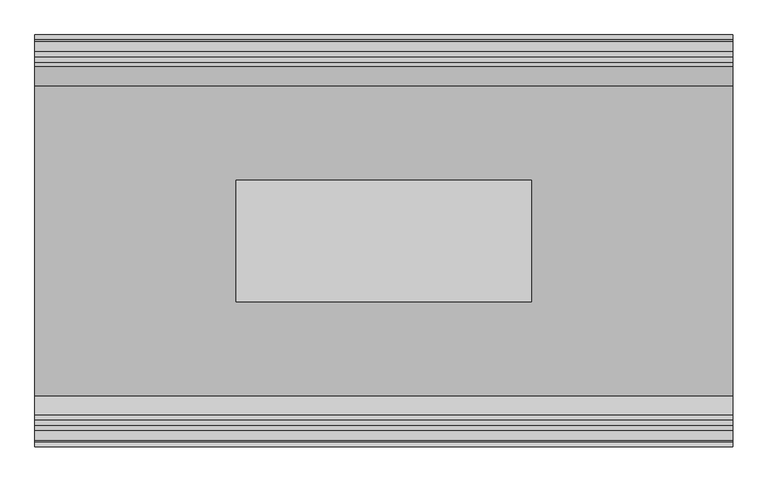
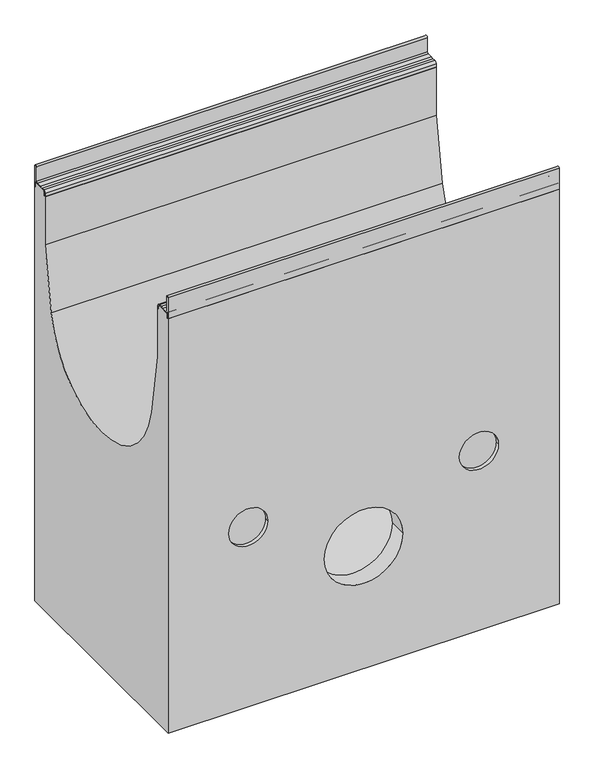
"""IFC4 building model written with IfcOpenShell, lengths in millimetres: proxy geometry."""

from ifc_helpers import new_model, si_unit, point, frame, frame_2d, origin, place, context, project, spatial, polyline, circle_curve, trimmed, segment, composite_curve, outline, extrude, source, transform, mapped, element, save
from ifc_brep_helpers import plane_surface, cylinder_surface, revolved_surface, advanced_brep


def generic_models_235eebda(model_context):
    return source(origin(), model_context, "Body", "SolidModel", [
        advanced_brep(
        [(500.0, 295.0, -1180.0), (500.0, 295.0, -60.0409124), (500.0, 291.9621547, -60.0409124), (500.0, 291.9621547, -45.4121775), (500.0, 290.5838153, -45.4121775), (500.0, 285.5826794, -48.0378453), (500.0, 256.0756907, -48.0378453), (500.0, 252.9900031, -51.1235329), (500.0, 252.9900031, -60.011934), (500.0, 250.0, -60.011934), (500.0, 250.0, -190.0), (500.0, 221.8889757, -357.2864917), (500.0, -221.8889757, -357.2864917), (500.0, -250.0, -190.0), (500.0, -250.0, -60.011934), (500.0, -252.9900031, -60.011934), (500.0, -252.9900031, -51.1235329), (500.0, -256.0756907, -48.0378453), (500.0, -285.5826794, -48.0378453), (500.0, -290.5838153, -45.4121775), (500.0, -291.9621547, -45.4121775), (500.0, -291.9621547, -60.0409124), (500.0, -295.0, -60.0409124), (500.0, -295.0, -1180.0), (-500.0, 295.0, -1180.0), (-500.0, -295.0, -1180.0), (-500.0, -295.0, -60.0409124), (-500.0, -291.9621547, -60.0409124), (-500.0, -291.9621547, -45.4121775), (-500.0, -290.5838153, -45.4121775), (-500.0, -285.5826794, -48.0378453), (-500.0, -256.0756907, -48.0378453), (-500.0, -252.9900031, -51.1235329), (-500.0, -252.9900031, -60.011934), (-500.0, -250.0, -60.011934), (-500.0, -250.0, -190.0), (-500.0, -221.8889757, -357.2864917), (-500.0, 221.8889757, -357.2864917), (-500.0, 250.0, -190.0), (-500.0, 250.0, -60.011934), (-500.0, 252.9900031, -60.011934), (-500.0, 252.9900031, -51.1235329), (-500.0, 256.0756907, -48.0378453), (-500.0, 285.5826794, -48.0378453), (-500.0, 290.5838153, -45.4121775), (-500.0, 291.9621547, -45.4121775), (-500.0, 291.9621547, -60.0409124), (-500.0, 295.0, -60.0409124), (245.0, 295.0, -695.0), (345.0, 295.0, -695.0), (-245.0, 295.0, -695.0), (-345.0, 295.0, -695.0), (-100.0, -295.0, -850.0), (100.0, -295.0, -850.0), (100.0, -250.0, -850.0), (-100.0, -250.0, -850.0), (212.5, 87.5, -590.5698316), (212.5, 87.5, -527.2890494), (-212.5, 87.5, -527.2890494), (-212.5, 87.5, -590.5698316), (-212.5, -87.5, -527.2890494), (-212.5, -87.5, -590.5698316), (212.5, -87.5, -527.2890494), (212.5, -87.5, -590.5698316), (345.0, -295.0, -695.0), (245.0, -295.0, -695.0), (-345.0, -295.0, -695.0), (-245.0, -295.0, -695.0), (478.0, 252.9900031, -1055.0), (-478.0, 252.9900031, -1055.0), (-478.0, -250.0, -1055.0), (478.0, -250.0, -1055.0), (478.0, 252.9900031, -590.5698316), (478.0, -250.0, -590.5698316), (-478.0, -250.0, -590.5698316), (-478.0, 252.9900031, -590.5698316), (245.0, -285.0, -695.0), (345.0, -285.0, -695.0), (-245.0, -285.0, -695.0), (-345.0, -285.0, -695.0), (245.0, 285.0, -695.0), (345.0, 285.0, -695.0), (-245.0, 285.0, -695.0), (-345.0, 285.0, -695.0)],
        [
            (0, 1),
            (1, 2),
            (2, 3),
            (3, 4),
            (4, 5, circle_curve(frame((500.0, 285.5826794, -41.9621547), z_axis=(-1.0, 0.0, 0.0), x_axis=(0.0, 1.0, 0.0)), 6.0756907)),
            (5, 6),
            (6, 7, circle_curve(frame((500.0, 256.0756907, -51.1235329), z_axis=(1.0, 0.0, 0.0), x_axis=(0.0, 1.0, 0.0)), 3.0856876)),
            (7, 8),
            (8, 9),
            (9, 10),
            (10, 11),
            (11, 12, circle_curve(frame((500.0, 0.0, -320.0), z_axis=(-1.0, 0.0, 0.0), x_axis=(0.0, -1.0, 0.0)), 225.0)),
            (12, 13),
            (13, 14),
            (14, 15),
            (15, 16),
            (16, 17, circle_curve(frame((500.0, -256.0756907, -51.1235329), z_axis=(1.0, 0.0, 0.0), x_axis=(0.0, 1.0, 0.0)), 3.0856876)),
            (17, 18),
            (18, 19, circle_curve(frame((500.0, -285.5826794, -41.9621547), z_axis=(-1.0, 0.0, 0.0), x_axis=(0.0, 1.0, 0.0)), 6.0756907)),
            (19, 20),
            (20, 21),
            (21, 22),
            (22, 23),
            (23, 0),
            (24, 25),
            (25, 26),
            (26, 27),
            (27, 28),
            (28, 29),
            (29, 30, circle_curve(frame((-500.0, -285.5826794, -41.9621547), z_axis=(1.0, 0.0, 0.0), x_axis=(0.0, 1.0, 0.0)), 6.0756907)),
            (30, 31),
            (31, 32, circle_curve(frame((-500.0, -256.0756907, -51.1235329), z_axis=(-1.0, 0.0, 0.0), x_axis=(0.0, 1.0, 0.0)), 3.0856876)),
            (32, 33),
            (33, 34),
            (34, 35),
            (35, 36),
            (36, 37, circle_curve(frame((-500.0, 0.0, -320.0), z_axis=(1.0, 0.0, 0.0), x_axis=(0.0, -1.0, 0.0)), 225.0)),
            (37, 38),
            (38, 39),
            (39, 40),
            (40, 41),
            (41, 42, circle_curve(frame((-500.0, 256.0756907, -51.1235329), z_axis=(-1.0, 0.0, 0.0), x_axis=(0.0, 1.0, 0.0)), 3.0856876)),
            (42, 43),
            (43, 44, circle_curve(frame((-500.0, 285.5826794, -41.9621547), z_axis=(1.0, 0.0, 0.0), x_axis=(0.0, 1.0, 0.0)), 6.0756907)),
            (44, 45),
            (45, 46),
            (46, 47),
            (47, 24),
            (0, 24),
            (47, 1),
            (48, 49, circle_curve(frame((295.0, 295.0, -695.0), z_axis=(0.0, -1.0, 0.0), x_axis=(1.0, 0.0, 0.0)), 50.0)),
            (49, 48, circle_curve(frame((295.0, 295.0, -695.0), z_axis=(0.0, -1.0, 0.0), x_axis=(1.0, 0.0, 0.0)), 50.0)),
            (50, 51, circle_curve(frame((-295.0, 295.0, -695.0), z_axis=(0.0, -1.0, 0.0), x_axis=(-1.0, 0.0, 0.0)), 50.0)),
            (51, 50, circle_curve(frame((-295.0, 295.0, -695.0), z_axis=(0.0, -1.0, 0.0), x_axis=(-1.0, 0.0, 0.0)), 50.0)),
            (13, 35),
            (34, 14),
            (52, 53, circle_curve(frame((0.0, -295.0, -850.0), z_axis=(0.0, -1.0, 0.0), x_axis=(1.0, 0.0, 0.0)), 100.0)),
            (53, 54),
            (54, 55, circle_curve(frame((0.0, -250.0, -850.0), z_axis=(0.0, 1.0, 0.0), x_axis=(1.0, 0.0, 0.0)), 100.0)),
            (55, 52),
            (53, 52, circle_curve(frame((0.0, -295.0, -850.0), z_axis=(0.0, -1.0, 0.0), x_axis=(1.0, 0.0, 0.0)), 100.0)),
            (55, 54, circle_curve(frame((0.0, -250.0, -850.0), z_axis=(0.0, 1.0, 0.0), x_axis=(1.0, 0.0, 0.0)), 100.0)),
            (46, 2),
            (45, 3),
            (44, 4),
            (43, 5),
            (42, 6),
            (41, 7),
            (40, 8),
            (39, 9),
            (33, 15),
            (32, 16),
            (31, 17),
            (30, 18),
            (29, 19),
            (28, 20),
            (27, 21),
            (56, 57),
            (57, 58),
            (58, 59),
            (59, 56),
            (58, 60, circle_curve(frame((-212.5, 0.0, -320.0), z_axis=(-1.0, 0.0, 0.0), x_axis=(0.0, -1.0, 0.0)), 225.0)),
            (60, 61),
            (61, 59),
            (60, 62),
            (62, 63),
            (63, 61),
            (56, 63),
            (62, 57, circle_curve(frame((212.5, 0.0, -320.0), z_axis=(1.0, 0.0, 0.0), x_axis=(0.0, -1.0, 0.0)), 225.0)),
            (26, 22),
            (25, 23),
            (64, 65, circle_curve(frame((295.0, -295.0, -695.0), z_axis=(0.0, 1.0, 0.0), x_axis=(1.0, 0.0, 0.0)), 50.0)),
            (65, 64, circle_curve(frame((295.0, -295.0, -695.0), z_axis=(0.0, 1.0, 0.0), x_axis=(1.0, 0.0, 0.0)), 50.0)),
            (66, 67, circle_curve(frame((-295.0, -295.0, -695.0), z_axis=(0.0, 1.0, 0.0), x_axis=(-1.0, 0.0, 0.0)), 50.0)),
            (67, 66, circle_curve(frame((-295.0, -295.0, -695.0), z_axis=(0.0, 1.0, 0.0), x_axis=(-1.0, 0.0, 0.0)), 50.0)),
            (68, 69),
            (69, 70),
            (70, 71),
            (71, 68),
            (72, 73),
            (73, 74),
            (74, 75),
            (75, 72),
            (68, 72),
            (75, 69),
            (74, 70),
            (73, 71),
            (76, 77, circle_curve(frame((295.0, -285.0, -695.0), z_axis=(0.0, -1.0, 0.0), x_axis=(1.0, 0.0, 0.0)), 50.0)),
            (77, 76, circle_curve(frame((295.0, -285.0, -695.0), z_axis=(0.0, -1.0, 0.0), x_axis=(1.0, 0.0, 0.0)), 50.0)),
            (78, 79, circle_curve(frame((-295.0, -285.0, -695.0), z_axis=(0.0, -1.0, 0.0), x_axis=(-1.0, 0.0, 0.0)), 50.0)),
            (79, 78, circle_curve(frame((-295.0, -285.0, -695.0), z_axis=(0.0, -1.0, 0.0), x_axis=(-1.0, 0.0, 0.0)), 50.0)),
            (76, 65),
            (64, 77),
            (78, 67),
            (66, 79),
            (80, 81, circle_curve(frame((295.0, 285.0, -695.0), z_axis=(0.0, 1.0, 0.0), x_axis=(1.0, 0.0, 0.0)), 50.0)),
            (81, 80, circle_curve(frame((295.0, 285.0, -695.0), z_axis=(0.0, 1.0, 0.0), x_axis=(1.0, 0.0, 0.0)), 50.0)),
            (82, 83, circle_curve(frame((-295.0, 285.0, -695.0), z_axis=(0.0, 1.0, 0.0), x_axis=(-1.0, 0.0, 0.0)), 50.0)),
            (83, 82, circle_curve(frame((-295.0, 285.0, -695.0), z_axis=(0.0, 1.0, 0.0), x_axis=(-1.0, 0.0, 0.0)), 50.0)),
            (81, 49),
            (48, 80),
            (83, 51),
            (50, 82),
            (38, 10),
            (37, 11),
            (36, 12),
        ],
        [
            plane_surface(frame((500.0, 295.0, -31.1821489), z_axis=(1.0, 0.0, 0.0), x_axis=(0.0, 0.0, 1.0))),
            plane_surface(frame((-500.0, 295.0, -31.1821489), z_axis=(-1.0, 0.0, 0.0), x_axis=(0.0, 0.0, -1.0))),
            plane_surface(frame((500.0, 295.0, -1180.0), z_axis=(0.0, 1.0, 0.0), x_axis=(-1.0, 0.0, 0.0))),
            plane_surface(frame((500.0, -250.0, -190.0), z_axis=(0.0, 1.0, 0.0), x_axis=(-1.0, 0.0, 0.0))),
            revolved_surface(polyline([(100.0, -295.0, -850.0), (100.0, -250.0, -850.0)]), (0.0, 0.0, -850.0), (0.0, -1.0, 0.0)),
            plane_surface(frame((500.0, 295.0, -60.0409124), z_axis=(0.0, 0.0, 1.0), x_axis=(-1.0, 0.0, 0.0))),
            plane_surface(frame((500.0, 291.9621547, -60.0409124), z_axis=(0.0, 1.0, 0.0), x_axis=(-1.0, 0.0, 0.0))),
            plane_surface(frame((500.0, 291.9621547, -45.4121775), z_axis=(0.0, 0.0, 1.0), x_axis=(-1.0, 0.0, 0.0))),
            revolved_surface(polyline([(-500.0, 291.6583701, -41.9621547), (500.0, 291.6583701, -41.9621547)]), (-500.0, 285.5826794, -41.9621547), (-1.0, 0.0, 0.0)),
            plane_surface(frame((500.0, 285.5826794, -48.0378453), z_axis=(0.0, 0.0, 1.0), x_axis=(-1.0, 0.0, 0.0))),
            cylinder_surface(frame((-500.0, 256.0756907, -51.1235329), z_axis=(1.0, 0.0, 0.0), x_axis=(0.0, 1.0, 0.0)), 3.0856876),
            plane_surface(frame((500.0, 252.9900031, -51.1235329), z_axis=(0.0, -1.0, 0.0), x_axis=(-1.0, 0.0, 0.0))),
            plane_surface(frame((500.0, 252.9900031, -60.011934), z_axis=(0.0, 0.0, 1.0), x_axis=(-1.0, 0.0, 0.0))),
            plane_surface(frame((500.0, -250.0, -60.011934), z_axis=(0.0, 0.0, 1.0), x_axis=(-1.0, 0.0, 0.0))),
            plane_surface(frame((500.0, -252.9900031, -60.011934), z_axis=(0.0, 1.0, 0.0), x_axis=(-1.0, 0.0, 0.0))),
            cylinder_surface(frame((-500.0, -256.0756907, -51.1235329), z_axis=(1.0, 0.0, 0.0), x_axis=(0.0, 1.0, 0.0)), 3.0856876),
            plane_surface(frame((500.0, -256.0756907, -48.0378453), z_axis=(0.0, 0.0, 1.0), x_axis=(-1.0, 0.0, 0.0))),
            revolved_surface(polyline([(-500.0, -279.5069887, -41.9621547), (500.0, -279.5069887, -41.9621547)]), (-500.0, -285.5826794, -41.9621547), (-1.0, 0.0, 0.0)),
            plane_surface(frame((500.0, -290.5838153, -45.4121775), z_axis=(0.0, 0.0, 1.0), x_axis=(-1.0, 0.0, 0.0))),
            plane_surface(frame((500.0, -291.9621547, -45.4121775), z_axis=(0.0, -1.0, 0.0), x_axis=(-1.0, 0.0, 0.0))),
            plane_surface(frame((212.5, 87.5, -304.8), z_axis=(0.0, -1.0, 0.0), x_axis=(0.0, 0.0, -1.0))),
            plane_surface(frame((-212.5, 87.5, -304.8), z_axis=(1.0, 0.0, 0.0), x_axis=(0.0, 0.0, -1.0))),
            plane_surface(frame((-212.5, -87.5, -304.8), z_axis=(0.0, 1.0, 0.0), x_axis=(0.0, 0.0, -1.0))),
            plane_surface(frame((212.5, -87.5, -304.8), z_axis=(-1.0, 0.0, 0.0), x_axis=(0.0, 0.0, -1.0))),
            plane_surface(frame((500.0, -291.9621547, -60.0409124), z_axis=(0.0, 0.0, 1.0), x_axis=(-1.0, 0.0, 0.0))),
            plane_surface(frame((500.0, -295.0, -60.0409124), z_axis=(0.0, -1.0, 0.0), x_axis=(-1.0, 0.0, 0.0))),
            plane_surface(frame((-43.5, 252.9900031, -1055.0), z_axis=(0.0, 0.0, 1.0), x_axis=(1.0, 0.0, 0.0))),
            plane_surface(frame((-43.5, 252.9900031, -590.5698316), z_axis=(0.0, 0.0, -1.0), x_axis=(-1.0, 0.0, 0.0))),
            plane_surface(frame((478.0, 252.9900031, -590.5698316), z_axis=(0.0, -1.0, 0.0), x_axis=(0.0, 0.0, -1.0))),
            plane_surface(frame((-478.0, 252.9900031, -590.5698316), z_axis=(1.0, 0.0, 0.0), x_axis=(0.0, 0.0, -1.0))),
            plane_surface(frame((-478.0, -250.0, -590.5698316), z_axis=(0.0, 1.0, 0.0), x_axis=(0.0, 0.0, -1.0))),
            plane_surface(frame((478.0, -250.0, -590.5698316), z_axis=(-1.0, 0.0, 0.0), x_axis=(0.0, 0.0, -1.0))),
            plane_surface(frame((345.0, -285.0, -695.0), z_axis=(0.0, -1.0, 0.0), x_axis=(0.0, 0.0, -1.0))),
            revolved_surface(polyline([(345.0, -295.0, -695.0), (345.0, -285.0, -695.0)]), (295.0, -285.0, -695.0), (0.0, -1.0, 0.0)),
            revolved_surface(polyline([(-345.0, -295.0, -695.0), (-345.0, -285.0, -695.0)]), (-295.0, 0.0, -695.0), (0.0, -1.0, 0.0)),
            plane_surface(frame((345.0, 285.0, -695.0), z_axis=(0.0, 1.0, 0.0), x_axis=(0.0, 0.0, 1.0))),
            revolved_surface(polyline([(345.0, 285.0, -695.0), (345.0, 295.0, -695.0)]), (295.0, 295.0, -695.0), (0.0, -1.0, 0.0)),
            revolved_surface(polyline([(-345.0, 285.0, -695.0), (-345.0, 295.0, -695.0)]), (-295.0, 0.0, -695.0), (0.0, -1.0, 0.0)),
            plane_surface(frame((500.0, 250.0, -60.011934), z_axis=(0.0, -1.0, 0.0), x_axis=(-1.0, 0.0, 0.0))),
            plane_surface(frame((500.0, 250.0, -190.0), z_axis=(0.0, -0.9861732253122618, 0.16571774098511907), x_axis=(-1.0, 0.0, 0.0))),
            revolved_surface(polyline([(-500.0, -225.0, -320.0), (500.0, -225.0, -320.0)]), (-500.0, 0.0, -320.0), (-1.0, 0.0, 0.0)),
            plane_surface(frame((500.0, -221.8889757, -357.2864917), z_axis=(0.0, 0.9861732253122626, 0.16571774098511421), x_axis=(-1.0, 0.0, 0.0))),
            plane_surface(frame((500.0, -295.0, -1180.0), z_axis=(0.0, 0.0, -1.0), x_axis=(-1.0, 0.0, 0.0))),
        ],
        [
            (0, [[1, 2, 3, 4, 5, 6, 7, 8, 9, 10, 11, 12, 13, 14, 15, 16, 17, 18, 19, 20, 21, 22, 23, 24]]),
            (1, [[25, 26, 27, 28, 29, 30, 31, 32, 33, 34, 35, 36, 37, 38, 39, 40, 41, 42, 43, 44, 45, 46, 47, 48]]),
            (2, [[-1, 49, -48, 50], [51, 52], [53, 54]]),
            (3, [[-14, 55, -35, 56]]),
            (4, [[57, 58, 59, 60]]),
            (4, [[61, -60, 62, -58]]),
            (5, [[-2, -50, -47, 63]]),
            (6, [[-3, -63, -46, 64]]),
            (7, [[-4, -64, -45, 65]]),
            (8, [[-5, -65, -44, 66]]),
            (9, [[-6, -66, -43, 67]]),
            (10, [[-7, -67, -42, 68]]),
            (11, [[-8, -68, -41, 69]]),
            (12, [[-9, -69, -40, 70]]),
            (13, [[-15, -56, -34, 71]]),
            (14, [[-16, -71, -33, 72]]),
            (15, [[-17, -72, -32, 73]]),
            (16, [[-18, -73, -31, 74]]),
            (17, [[-19, -74, -30, 75]]),
            (18, [[-20, -75, -29, 76]]),
            (19, [[-21, -76, -28, 77]]),
            (20, [[78, 79, 80, 81]]),
            (21, [[-80, 82, 83, 84]]),
            (22, [[-83, 85, 86, 87]]),
            (23, [[-78, 88, -86, 89]]),
            (24, [[-22, -77, -27, 90]]),
            (25, [[-23, -90, -26, 91], [-57, -61], [92, 93], [94, 95]]),
            (26, [[96, 97, 98, 99]]),
            (27, [[100, 101, 102, 103], [-81, -84, -87, -88]]),
            (28, [[-96, 104, -103, 105]]),
            (29, [[-97, -105, -102, 106]]),
            (30, [[-98, -106, -101, 107], [-59, -62]]),
            (31, [[-99, -107, -100, -104]]),
            (32, [[108, 109]]),
            (32, [[110, 111]]),
            (33, [[-108, 112, -92, 113]]),
            (33, [[-109, -113, -93, -112]]),
            (34, [[-110, 114, -94, 115]]),
            (34, [[-111, -115, -95, -114]]),
            (35, [[116, 117]]),
            (35, [[118, 119]]),
            (36, [[-117, 120, -51, 121]]),
            (36, [[-116, -121, -52, -120]]),
            (37, [[-119, 122, -53, 123]]),
            (37, [[-118, -123, -54, -122]]),
            (38, [[-10, -70, -39, 124]]),
            (39, [[-11, -124, -38, 125]]),
            (40, [[-12, -125, -37, 126], [-79, -89, -85, -82]]),
            (41, [[-13, -126, -36, -55]]),
            (42, [[-24, -91, -25, -49]]),
        ],
    ),
        extrude(outline(composite_curve([segment(trimmed(circle_curve(frame_2d((-291.8102624, -3.1897376)), 3.1897376), [point((-295.0, -3.1897376))], [point((-288.6205248, -3.1897376))], False, "CARTESIAN"), True, "CONTINUOUS"), segment(polyline([(-288.6205248, -3.1897376), (-288.6205248, -41.9621547)]), True, "CONTINUOUS"), segment(trimmed(circle_curve(frame_2d((-285.5826794, -41.9621547)), 3.0378453), [point((-288.6205248, -41.9621547))], [point((-285.5826794, -45.0))], True, "CARTESIAN"), True, "CONTINUOUS"), segment(polyline([(-285.5826794, -45.0), (-271.4566985, -45.0), (-263.8620852, -45.0), (-256.0756907, -45.0)]), True, "CONTINUOUS"), segment(trimmed(circle_curve(frame_2d((-256.0756907, -51.0756907)), 6.0756907), [point((-256.0756907, -45.0))], [point((-250.0, -51.0756907))], False, "CARTESIAN"), True, "CONTINUOUS"), segment(polyline([(-250.0, -51.0756907), (-250.0, -60.011934), (-252.9900031, -60.011934), (-252.9900031, -51.1235329)]), True, "CONTINUOUS"), segment(trimmed(circle_curve(frame_2d((-256.0756907, -51.1235329)), 3.0856876), [point((-252.9900031, -51.1235329))], [point((-256.0756907, -48.0378453))], True, "CARTESIAN"), True, "CONTINUOUS"), segment(polyline([(-256.0756907, -48.0378453), (-285.5826794, -48.0378453)]), True, "CONTINUOUS"), segment(trimmed(circle_curve(frame_2d((-285.5826794, -41.9621547)), 6.0756907), [point((-285.5826794, -48.0378453))], [point((-290.5838153, -45.4121775))], False, "CARTESIAN"), True, "CONTINUOUS"), segment(polyline([(-290.5838153, -45.4121775), (-291.9621547, -45.4121775), (-291.9621547, -60.0409124), (-295.0, -60.0409124), (-295.0, -3.1897376)]), True, "CONTINUOUS")], self_intersect=False)), frame((-500.0, 0.0, 0.0), z_axis=(1.0, 0.0, 0.0), x_axis=(0.0, 1.0, 0.0)), (0.0, 0.0, 1.0), 1000.0),
        extrude(outline(composite_curve([segment(polyline([(295.0, -3.1897376), (295.0, -60.0409124), (291.9621547, -60.0409124), (291.9621547, -45.4121775), (290.5838153, -45.4121775)]), True, "CONTINUOUS"), segment(trimmed(circle_curve(frame_2d((285.5826794, -41.9621547)), 6.0756907), [point((290.5838153, -45.4121775))], [point((285.5826794, -48.0378453))], False, "CARTESIAN"), True, "CONTINUOUS"), segment(polyline([(285.5826794, -48.0378453), (256.0756907, -48.0378453)]), True, "CONTINUOUS"), segment(trimmed(circle_curve(frame_2d((256.0756907, -51.1235329)), 3.0856876), [point((256.0756907, -48.0378453))], [point((252.9900031, -51.1235329))], True, "CARTESIAN"), True, "CONTINUOUS"), segment(polyline([(252.9900031, -51.1235329), (252.9900031, -60.011934), (250.0, -60.011934), (250.0, -51.0756907)]), True, "CONTINUOUS"), segment(trimmed(circle_curve(frame_2d((256.0756907, -51.0756907)), 6.0756907), [point((250.0, -51.0756907))], [point((256.0756907, -45.0))], False, "CARTESIAN"), True, "CONTINUOUS"), segment(polyline([(256.0756907, -45.0), (263.8620852, -45.0), (271.4566985, -45.0), (285.5826794, -45.0)]), True, "CONTINUOUS"), segment(trimmed(circle_curve(frame_2d((285.5826794, -41.9621547)), 3.0378453), [point((285.5826794, -45.0))], [point((288.6205248, -41.9621547))], True, "CARTESIAN"), True, "CONTINUOUS"), segment(polyline([(288.6205248, -41.9621547), (288.6205248, -3.1897376)]), True, "CONTINUOUS"), segment(trimmed(circle_curve(frame_2d((291.8102624, -3.1897376)), 3.1897376), [point((288.6205248, -3.1897376))], [point((295.0, -3.1897376))], False, "CARTESIAN"), True, "CONTINUOUS")], self_intersect=False)), frame((-500.0, 0.0, 0.0), z_axis=(1.0, 0.0, 0.0), x_axis=(0.0, 1.0, 0.0)), (0.0, 0.0, 1.0), 1000.0),
    ])


if __name__ == "__main__":
    model = new_model("IFC4")
    model_context = context("Model", 3, world=origin())
    ifc_project = project(units=[si_unit("LENGTHUNIT", "METRE", prefix="MILLI")], contexts=[model_context])
    site = spatial("IfcSite", under=ifc_project)
    building = spatial("IfcBuilding", under=site)
    placement = place(None, origin())
    generic_models_shape = generic_models_235eebda(model_context)
    element("IfcBuildingElementProxy", 1, Name="Generic Models", at=placement, inside=building, context=model_context, shape_type="MappedRepresentation", body=[
        mapped(generic_models_shape, transform((0.0, 0.0, 0.0), x_axis=(1.0, 0.0, 0.0), y_axis=(0.0, 1.0, 0.0), z_axis=(0.0, 0.0, 1.0))),
    ])
    save(model, "model.ifc")
